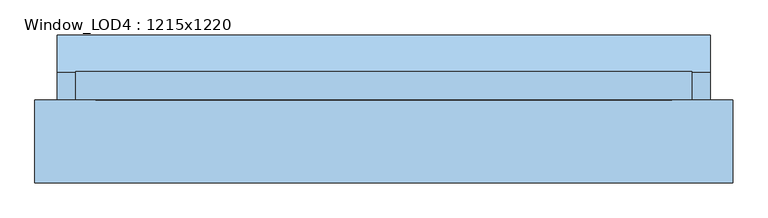
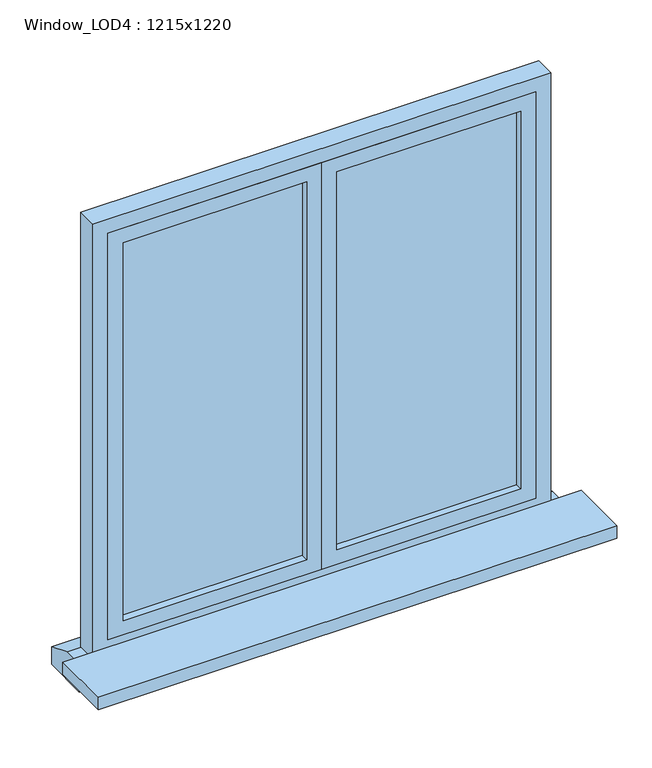
"""IFC4 building model written with IfcOpenShell, lengths in millimetres: window geometry, Window_LOD4 : 1215x1220."""

from ifc_helpers import new_model, si_unit, frame, origin, place, context, project, spatial, polyline, outline, extrude, source, transform, mapped, element, save


def window_lod4_1215x1220_86bcf95c(model_context):
    return source(origin(), model_context, "Body", "SweptSolid", [
        extrude(outline(polyline([(527.5000243, 87.5), (40.0, 87.5), (40.0, 102.5), (527.5000243, 102.5), (527.5000243, 87.5)])), frame((0.0, 0.0, 880.0), z_axis=(0.0, 0.0, 1.0), x_axis=(1.0, 0.0, 0.0)), (0.0, 0.0, 1.0), 1060.0000489),
        extrude(outline(polyline([(1980.0000489, 0.0), (840.0, 0.0), (840.0, 567.5000243), (1980.0000489, 567.5000243), (1980.0000489, 0.0)]), holes=[polyline([(1940.0000489, 40.0), (1940.0000489, 527.5000243), (880.0, 527.5000243), (880.0, 40.0), (1940.0000489, 40.0)])]), frame((0.0, 67.5, 0.0), z_axis=(0.0, 1.0, 0.0), x_axis=(0.0, 0.0, 1.0)), (0.0, 0.0, 1.0), 55.0),
        extrude(outline(polyline([(-40.0, 87.5), (-527.5000243, 87.5), (-527.5000243, 102.5), (-40.0, 102.5), (-40.0, 87.5)])), frame((0.0, 0.0, 880.0), z_axis=(0.0, 0.0, 1.0), x_axis=(1.0, 0.0, 0.0)), (0.0, 0.0, 1.0), 1060.0000489),
        extrude(outline(polyline([(1980.0000489, -567.5000243), (840.0, -567.5000243), (840.0, 0.0), (1980.0000489, 0.0), (1980.0000489, -567.5000243)]), holes=[polyline([(1940.0000489, -527.5000243), (1940.0000489, -40.0), (880.0, -40.0), (880.0, -527.5000243), (1940.0000489, -527.5000243)])]), frame((0.0, 67.5, 0.0), z_axis=(0.0, 1.0, 0.0), x_axis=(0.0, 0.0, 1.0)), (0.0, 0.0, 1.0), 55.0),
        extrude(outline(polyline([(122.5, 800.0), (195.4975092, 770.0), (195.4975092, 720.0), (67.5, 720.0), (67.5, 800.0), (122.5, 800.0)])), frame((-643.3669322, 0.0, 0.0), z_axis=(1.0, 0.0, 0.0), x_axis=(0.0, 1.0, 0.0)), (0.0, 0.0, 1.0), 1286.7338644),
        extrude(outline(polyline([(2020.0000489, -607.5000243), (800.0, -607.5000243), (800.0, 607.5000243), (2020.0000489, 607.5000243), (2020.0000489, -607.5000243)]), holes=[polyline([(1980.0000489, -567.5000243), (1980.0000489, 567.5000243), (840.0, 567.5000243), (840.0, -567.5000243), (1980.0000489, -567.5000243)])]), frame((0.0, 67.5, 0.0), z_axis=(0.0, 1.0, 0.0), x_axis=(0.0, 0.0, 1.0)), (0.0, 0.0, 1.0), 55.0),
        extrude(outline(polyline([(687.5000243, 67.5), (687.5000243, -96.3411723), (-687.5000243, -96.3411723), (-687.5000243, 67.5), (687.5000243, 67.5)])), frame((0.0, 0.0, 785.0), z_axis=(0.0, 0.0, 1.0), x_axis=(1.0, 0.0, 0.0)), (0.0, 0.0, 1.0), 35.0),
    ])


if __name__ == "__main__":
    model = new_model("IFC4")
    model_context = context("Model", 3, world=origin())
    ifc_project = project(units=[si_unit("LENGTHUNIT", "METRE", prefix="MILLI")], contexts=[model_context])
    site = spatial("IfcSite", under=ifc_project)
    building = spatial("IfcBuilding", under=site)
    placement = place(None, origin())
    window_lod4_1215x1220_shape = window_lod4_1215x1220_86bcf95c(model_context)
    element("IfcWindow", 1, ObjectType="Window_LOD4 : 1215x1220", at=placement, inside=building, context=model_context, shape_type="MappedRepresentation", body=[
        mapped(window_lod4_1215x1220_shape, transform((0.0, 0.0, 0.0), x_axis=(1.0, 0.0, 0.0), y_axis=(0.0, 1.0, 0.0), z_axis=(0.0, 0.0, 1.0))),
    ])
    save(model, "model.ifc")
